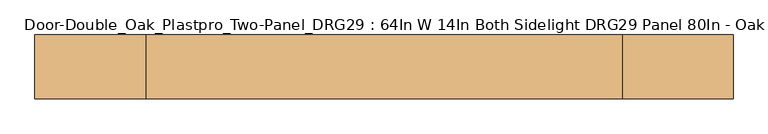
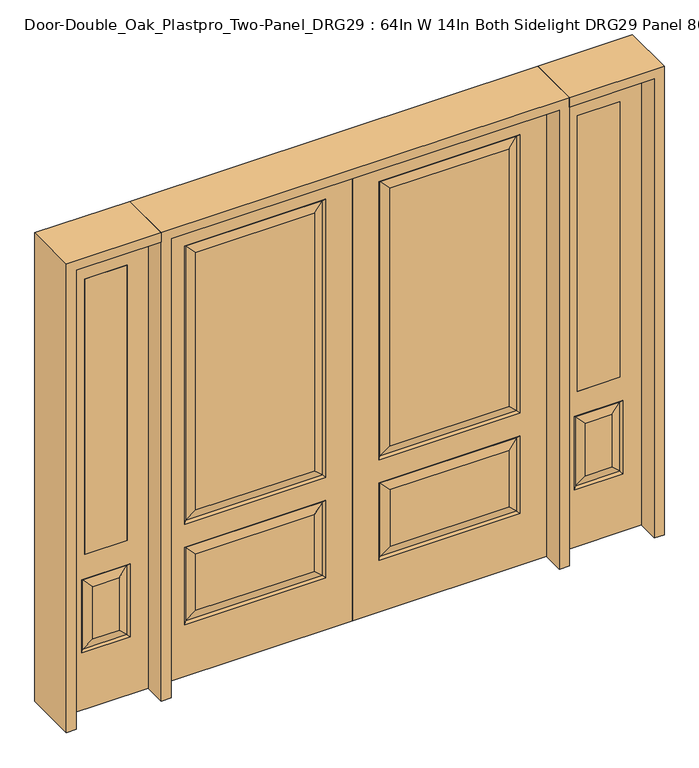
"""IFC4 building model written with IfcOpenShell, lengths in millimetres: door geometry, Door-Double_Oak_Plastpro_Two-Panel_DRG29 : 64In W 14In Both Sidelight DRG29 Panel 80In - Oak."""

from ifc_helpers import new_model, si_unit, frame, origin, place, context, project, spatial, polyline, outline, extrude, faceted_brep, source, transform, mapped, element, save


def door_double_oak_plastpro_two_panel_drg29_64in_w_14in_both_7d1d22a6(model_context):
    return source(origin(), model_context, "Body", "SolidModel", [
        faceted_brep([(692.5796986, -11.6572439, 562.4046986), (120.2203014, -11.6572439, 562.4046986), (157.2775452, -20.6375, 525.3474548), (655.5224548, -20.6375, 525.3474548), (157.2775452, -20.6375, 274.7525452), (120.2203014, -11.6572439, 237.6953014), (0.0, 20.6375, 0.0), (812.8, 20.6375, 0.0), (812.8, -20.6375, 0.0), (0.0, -20.6375, 0.0), (0.0, 20.6375, 2032.0), (0.0, -20.6375, 2032.0), (812.8, -20.6375, 2032.0), (111.2400452, -20.6375, 228.7150452), (111.2400452, -20.6375, 571.3849548), (701.5599548, -20.6375, 571.3849548), (701.5599548, -20.6375, 228.7150452), (111.2400452, -20.6375, 673.2150452), (111.2400452, -20.6375, 1904.8849548), (701.5599548, -20.6375, 1904.8849548), (701.5599548, -20.6375, 673.2150452), (655.5224548, -20.6375, 274.7525452), (655.5224548, -20.6375, 719.2525452), (655.5224548, -20.6375, 1858.8474548), (157.2775452, -20.6375, 1858.8474548), (157.2775452, -20.6375, 719.2525452), (655.5224548, 20.6375, 274.7525452), (655.5224548, 20.6375, 525.3474548), (692.5796986, 11.6572439, 562.4046986), (692.5796986, 11.6572439, 237.6953014), (701.5599548, 20.6375, 571.3849548), (701.5599548, 20.6375, 228.7150452), (120.2203014, 11.6572439, 237.6953014), (120.2203014, 11.6572439, 562.4046986), (157.2775452, 20.6375, 525.3474548), (157.2775452, 20.6375, 274.7525452), (120.2203014, 11.6572439, 682.1953014), (157.2775452, 20.6375, 719.2525452), (655.5224548, 20.6375, 719.2525452), (692.5796986, 11.6572439, 682.1953014), (655.5224548, 20.6375, 1858.8474548), (692.5796986, 11.6572439, 1895.9046986), (111.2400452, 20.6375, 571.3849548), (692.5796986, -11.6572439, 237.6953014), (812.8, 20.6375, 2032.0), (111.2400452, 20.6375, 228.7150452), (701.5599548, 20.6375, 673.2150452), (701.5599548, 20.6375, 1904.8849548), (111.2400452, 20.6375, 1904.8849548), (111.2400452, 20.6375, 673.2150452), (157.2775452, 20.6375, 1858.8474548), (120.2203014, 11.6572439, 1895.9046986), (120.2203014, -11.6572439, 682.1953014), (692.5796986, -11.6572439, 682.1953014), (692.5796986, -11.6572439, 1895.9046986), (120.2203014, -11.6572439, 1895.9046986)], [[[0, 1, 2, 3]], [[4, 2, 1, 5]], [[6, 7, 8, 9]], [[10, 6, 9, 11]], [[11, 9, 8, 12], [13, 14, 15, 16], [17, 18, 19, 20]], [[21, 3, 2, 4]], [[22, 23, 24, 25]], [[26, 27, 28, 29]], [[29, 28, 30, 31]], [[32, 33, 34, 35]], [[36, 37, 38, 39]], [[38, 40, 41, 39]], [[28, 33, 42, 30]], [[16, 15, 0, 43]], [[15, 14, 1, 0]], [[12, 8, 7, 44]], [[44, 7, 6, 10], [31, 30, 42, 45], [46, 47, 48, 49]], [[37, 50, 40, 38]], [[35, 34, 27, 26]], [[10, 11, 12, 44]], [[49, 48, 51, 36]], [[29, 31, 45, 32]], [[36, 51, 50, 37]], [[45, 42, 33, 32]], [[39, 46, 49, 36]], [[39, 41, 47, 46]], [[32, 35, 26, 29]], [[27, 34, 33, 28]], [[52, 17, 20, 53]], [[20, 19, 54, 53]], [[52, 55, 18, 17]], [[53, 22, 25, 52]], [[25, 24, 55, 52]], [[53, 54, 23, 22]], [[5, 13, 16, 43]], [[5, 1, 14, 13]], [[43, 21, 4, 5]], [[43, 0, 3, 21]], [[19, 18, 55, 54]], [[54, 55, 24, 23]], [[40, 50, 51, 41]], [[41, 51, 48, 47]]]),
        faceted_brep([(-692.5796986, -11.6572439, 562.4046986), (-655.5224548, -20.6375, 525.3474548), (-157.2775452, -20.6375, 525.3474548), (-120.2203014, -11.6572439, 562.4046986), (-157.2775452, -20.6375, 274.7525452), (-120.2203014, -11.6572439, 237.6953014), (0.0, 20.6375, 0.0), (0.0, -20.6375, 0.0), (-812.8, -20.6375, 0.0), (-812.8, 20.6375, 0.0), (0.0, 20.6375, 2032.0), (0.0, -20.6375, 2032.0), (-655.5224548, -20.6375, 719.2525452), (-157.2775452, -20.6375, 719.2525452), (-157.2775452, -20.6375, 1858.8474548), (-655.5224548, -20.6375, 1858.8474548), (-812.8, -20.6375, 2032.0), (-111.2400452, -20.6375, 673.2150452), (-701.5599548, -20.6375, 673.2150452), (-701.5599548, -20.6375, 1904.8849548), (-111.2400452, -20.6375, 1904.8849548), (-111.2400452, -20.6375, 228.7150452), (-701.5599548, -20.6375, 228.7150452), (-701.5599548, -20.6375, 571.3849548), (-111.2400452, -20.6375, 571.3849548), (-655.5224548, -20.6375, 274.7525452), (-655.5224548, 20.6375, 274.7525452), (-692.5796986, 11.6572439, 237.6953014), (-692.5796986, 11.6572439, 562.4046986), (-655.5224548, 20.6375, 525.3474548), (-701.5599548, 20.6375, 228.7150452), (-701.5599548, 20.6375, 571.3849548), (-120.2203014, 11.6572439, 237.6953014), (-157.2775452, 20.6375, 274.7525452), (-157.2775452, 20.6375, 525.3474548), (-120.2203014, 11.6572439, 562.4046986), (-120.2203014, 11.6572439, 682.1953014), (-692.5796986, 11.6572439, 682.1953014), (-655.5224548, 20.6375, 719.2525452), (-157.2775452, 20.6375, 719.2525452), (-692.5796986, 11.6572439, 1895.9046986), (-655.5224548, 20.6375, 1858.8474548), (-111.2400452, 20.6375, 571.3849548), (-692.5796986, -11.6572439, 237.6953014), (-812.8, 20.6375, 2032.0), (-111.2400452, 20.6375, 228.7150452), (-701.5599548, 20.6375, 673.2150452), (-111.2400452, 20.6375, 673.2150452), (-111.2400452, 20.6375, 1904.8849548), (-701.5599548, 20.6375, 1904.8849548), (-157.2775452, 20.6375, 1858.8474548), (-120.2203014, 11.6572439, 1895.9046986), (-120.2203014, -11.6572439, 682.1953014), (-692.5796986, -11.6572439, 682.1953014), (-692.5796986, -11.6572439, 1895.9046986), (-120.2203014, -11.6572439, 1895.9046986)], [[[0, 1, 2, 3]], [[4, 5, 3, 2]], [[6, 7, 8, 9]], [[10, 11, 7, 6]], [[12, 13, 14, 15]], [[11, 16, 8, 7], [17, 18, 19, 20], [21, 22, 23, 24]], [[25, 4, 2, 1]], [[26, 27, 28, 29]], [[27, 30, 31, 28]], [[32, 33, 34, 35]], [[36, 37, 38, 39]], [[38, 37, 40, 41]], [[28, 31, 42, 35]], [[22, 43, 0, 23]], [[23, 0, 3, 24]], [[16, 44, 9, 8]], [[33, 26, 29, 34]], [[44, 10, 6, 9], [30, 45, 42, 31], [46, 47, 48, 49]], [[39, 38, 41, 50]], [[10, 44, 16, 11]], [[47, 36, 51, 48]], [[27, 32, 45, 30]], [[36, 39, 50, 51]], [[45, 32, 35, 42]], [[37, 36, 47, 46]], [[37, 46, 49, 40]], [[32, 27, 26, 33]], [[29, 28, 35, 34]], [[52, 53, 18, 17]], [[18, 53, 54, 19]], [[52, 17, 20, 55]], [[53, 52, 13, 12]], [[13, 52, 55, 14]], [[53, 12, 15, 54]], [[5, 43, 22, 21]], [[5, 21, 24, 3]], [[43, 5, 4, 25]], [[43, 25, 1, 0]], [[19, 54, 55, 20]], [[54, 15, 14, 55]], [[41, 40, 51, 50]], [[40, 49, 48, 51]]]),
        extrude(outline(polyline([(1120.775, -20.6375), (942.975, -20.6375), (942.975, 20.6375), (1120.775, 20.6375), (1120.775, -20.6375)])), frame((0.0, 0.0, 685.8), z_axis=(0.0, 0.0, 1.0), x_axis=(1.0, 0.0, 0.0)), (0.0, 0.0, 1.0), 1219.2),
        faceted_brep([(1120.775, -20.6375, 1905.0), (942.975, -20.6375, 1905.0), (942.975, 20.6375, 1905.0), (1120.775, 20.6375, 1905.0), (1087.3224548, -20.6375, 531.6974548), (976.4275452, -20.6375, 531.6974548), (976.4275452, -20.6375, 300.1525452), (1087.3224548, -20.6375, 300.1525452), (854.075, -20.6375, 2032.0), (854.075, -20.6375, 0.0), (1209.675, -20.6375, 0.0), (1209.675, -20.6375, 2032.0), (1120.775, -20.6375, 685.8), (942.975, -20.6375, 685.8), (1133.3599548, -20.6375, 254.1150452), (930.3900452, -20.6375, 254.1150452), (930.3900452, -20.6375, 577.7349548), (1133.3599548, -20.6375, 577.7349548), (1124.3796986, 11.6572439, 568.7546986), (1133.3599548, 20.6375, 577.7349548), (1133.3599548, 20.6375, 254.1150452), (1124.3796986, 11.6572439, 263.0953014), (939.3703014, 11.6572439, 568.7546986), (930.3900452, 20.6375, 577.7349548), (1087.3224548, 20.6375, 300.1525452), (1087.3224548, 20.6375, 531.6974548), (1120.775, 20.6375, 685.8), (942.975, 20.6375, 685.8), (939.3703014, -11.6572439, 263.0953014), (1124.3796986, -11.6572439, 263.0953014), (939.3703014, -11.6572439, 568.7546986), (1124.3796986, -11.6572439, 568.7546986), (854.075, 20.6375, 2032.0), (1209.675, 20.6375, 2032.0), (854.075, 20.6375, 0.0), (1209.675, 20.6375, 0.0), (930.3900452, 20.6375, 254.1150452), (976.4275452, 20.6375, 300.1525452), (976.4275452, 20.6375, 531.6974548), (939.3703014, 11.6572439, 263.0953014)], [[[0, 1, 2, 3]], [[4, 5, 6, 7]], [[8, 9, 10, 11], [0, 12, 13, 1], [14, 15, 16, 17]], [[18, 19, 20, 21]], [[18, 22, 23, 19]], [[21, 24, 25, 18]], [[26, 27, 13, 12]], [[7, 6, 28, 29]], [[6, 5, 30, 28]], [[29, 14, 17, 31]], [[32, 8, 11, 33]], [[34, 35, 10, 9]], [[32, 34, 9, 8]], [[11, 10, 35, 33]], [[33, 35, 34, 32], [19, 23, 36, 20], [2, 27, 26, 3]], [[24, 37, 38, 25]], [[20, 36, 39, 21]], [[36, 23, 22, 39]], [[25, 38, 22, 18]], [[39, 22, 38, 37]], [[21, 39, 37, 24]], [[3, 26, 12, 0]], [[1, 13, 27, 2]], [[31, 4, 7, 29]], [[31, 30, 5, 4]], [[17, 16, 30, 31]], [[28, 30, 16, 15]], [[29, 28, 15, 14]]]),
        extrude(outline(polyline([(-1120.775, -20.6375), (-1120.775, 20.6375), (-942.975, 20.6375), (-942.975, -20.6375), (-1120.775, -20.6375)])), frame((0.0, 0.0, 685.8), z_axis=(0.0, 0.0, 1.0), x_axis=(1.0, 0.0, 0.0)), (0.0, 0.0, 1.0), 1219.2),
        faceted_brep([(-1120.775, -20.6375, 1905.0), (-1120.775, 20.6375, 1905.0), (-942.975, 20.6375, 1905.0), (-942.975, -20.6375, 1905.0), (-1087.3224548, -20.6375, 531.6974548), (-1087.3224548, -20.6375, 300.1525452), (-976.4275452, -20.6375, 300.1525452), (-976.4275452, -20.6375, 531.6974548), (-854.075, -20.6375, 2032.0), (-1209.675, -20.6375, 2032.0), (-1209.675, -20.6375, 0.0), (-854.075, -20.6375, 0.0), (-1133.3599548, -20.6375, 254.1150452), (-1133.3599548, -20.6375, 577.7349548), (-930.3900452, -20.6375, 577.7349548), (-930.3900452, -20.6375, 254.1150452), (-942.975, -20.6375, 685.8), (-1120.775, -20.6375, 685.8), (-1124.3796986, 11.6572439, 568.7546986), (-1124.3796986, 11.6572439, 263.0953014), (-1133.3599548, 20.6375, 254.1150452), (-1133.3599548, 20.6375, 577.7349548), (-930.3900452, 20.6375, 577.7349548), (-939.3703014, 11.6572439, 568.7546986), (-1087.3224548, 20.6375, 531.6974548), (-1087.3224548, 20.6375, 300.1525452), (-1120.775, 20.6375, 685.8), (-942.975, 20.6375, 685.8), (-1124.3796986, -11.6572439, 263.0953014), (-939.3703014, -11.6572439, 263.0953014), (-939.3703014, -11.6572439, 568.7546986), (-1124.3796986, -11.6572439, 568.7546986), (-854.075, 20.6375, 2032.0), (-1209.675, 20.6375, 2032.0), (-854.075, 20.6375, 0.0), (-1209.675, 20.6375, 0.0), (-930.3900452, 20.6375, 254.1150452), (-976.4275452, 20.6375, 531.6974548), (-976.4275452, 20.6375, 300.1525452), (-939.3703014, 11.6572439, 263.0953014)], [[[0, 1, 2, 3]], [[4, 5, 6, 7]], [[8, 9, 10, 11], [12, 13, 14, 15], [0, 3, 16, 17]], [[18, 19, 20, 21]], [[18, 21, 22, 23]], [[19, 18, 24, 25]], [[26, 17, 16, 27]], [[5, 28, 29, 6]], [[6, 29, 30, 7]], [[28, 31, 13, 12]], [[32, 33, 9, 8]], [[34, 11, 10, 35]], [[32, 8, 11, 34]], [[9, 33, 35, 10]], [[33, 32, 34, 35], [21, 20, 36, 22], [2, 1, 26, 27]], [[25, 24, 37, 38]], [[20, 19, 39, 36]], [[36, 39, 23, 22]], [[24, 18, 23, 37]], [[39, 38, 37, 23]], [[19, 25, 38, 39]], [[1, 0, 17, 26]], [[3, 2, 27, 16]], [[31, 28, 5, 4]], [[31, 4, 7, 30]], [[13, 31, 30, 14]], [[29, 15, 14, 30]], [[28, 12, 15, 29]]]),
        extrude(outline(polyline([(2032.0, -854.075), (2073.275, -854.075), (2073.275, -1250.95), (0.0, -1250.95), (0.0, -1209.675), (2032.0, -1209.675), (2032.0, -854.075)])), frame((0.0, -114.3, 0.0), z_axis=(0.0, 1.0, 0.0), x_axis=(0.0, 0.0, 1.0)), (0.0, 0.0, 1.0), 228.6),
        extrude(outline(polyline([(2073.275, -854.075), (0.0, -854.075), (0.0, -812.8), (2032.0, -812.8), (2032.0, 812.8), (0.0, 812.8), (0.0, 854.075), (2073.275, 854.075), (2073.275, -854.075)])), frame((0.0, -114.3, 0.0), z_axis=(0.0, 1.0, 0.0), x_axis=(0.0, 0.0, 1.0)), (0.0, 0.0, 1.0), 228.6),
        extrude(outline(polyline([(0.0, 1209.675), (0.0, 1250.95), (2073.275, 1250.95), (2073.275, 854.075), (2032.0, 854.075), (2032.0, 1209.675), (0.0, 1209.675)])), frame((0.0, -114.3, 0.0), z_axis=(0.0, 1.0, 0.0), x_axis=(0.0, 0.0, 1.0)), (0.0, 0.0, 1.0), 228.6),
    ])


if __name__ == "__main__":
    model = new_model("IFC4")
    model_context = context("Model", 3, world=origin())
    ifc_project = project(units=[si_unit("LENGTHUNIT", "METRE", prefix="MILLI")], contexts=[model_context])
    site = spatial("IfcSite", under=ifc_project)
    building = spatial("IfcBuilding", under=site)
    placement = place(None, origin())
    door_double_oak_plastpro_two_panel_drg29_64in_w_14in_both_shape = door_double_oak_plastpro_two_panel_drg29_64in_w_14in_both_7d1d22a6(model_context)
    element("IfcDoor", 1, ObjectType="Door-Double_Oak_Plastpro_Two-Panel_DRG29 : 64In W 14In Both Sidelight DRG29 Panel 80In - Oak", at=placement, inside=building, context=model_context, shape_type="MappedRepresentation", body=[
        mapped(door_double_oak_plastpro_two_panel_drg29_64in_w_14in_both_shape, transform((0.0, 0.0, 0.0), x_axis=(1.0, 0.0, 0.0), y_axis=(0.0, 1.0, 0.0), z_axis=(0.0, 0.0, 1.0))),
    ])
    save(model, "model.ifc")
